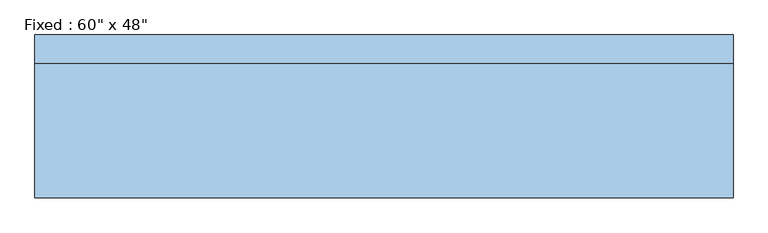
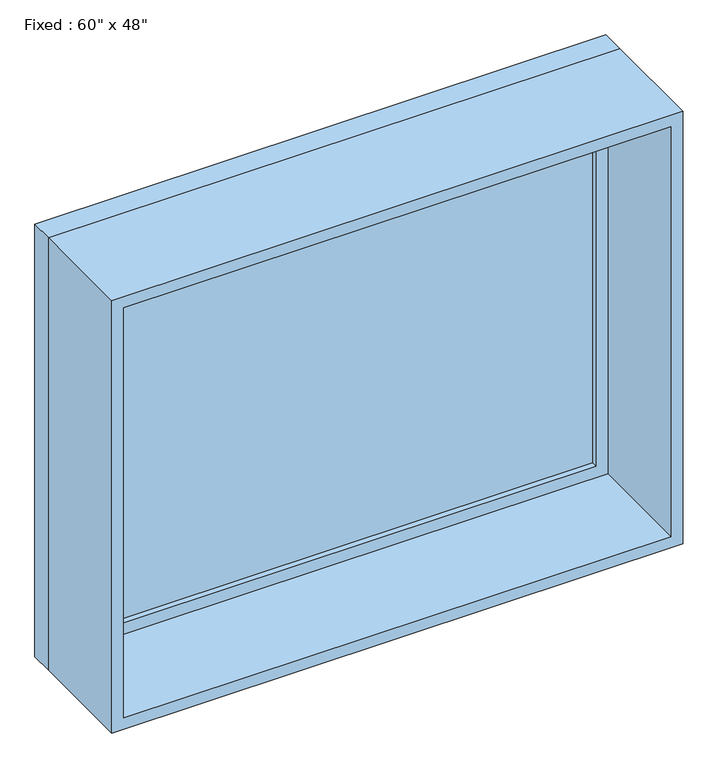
"""IFC4 building model written with IfcOpenShell, lengths in millimetres: window geometry."""

from ifc_helpers import new_model, si_unit, frame, origin, place, context, project, spatial, polyline, outline, extrude, source, transform, mapped, element, save


def window_9c7a078d(model_context):
    return source(origin(), model_context, "Body", "SweptSolid", [
        extrude(outline(polyline([(660.4, 130.175), (-736.6, 130.175), (-736.6, 142.875), (660.4, 142.875), (660.4, 130.175)])), frame((0.0, 0.0, 977.9), z_axis=(0.0, 0.0, 1.0), x_axis=(1.0, 0.0, 0.0)), (0.0, 0.0, 1.0), 1092.2),
        extrude(outline(polyline([(2114.55, -781.05), (933.45, -781.05), (933.45, 704.85), (2114.55, 704.85), (2114.55, -781.05)]), holes=[polyline([(2070.1, -736.6), (2070.1, 660.4), (977.9, 660.4), (977.9, -736.6), (2070.1, -736.6)])]), frame((0.0, 114.3, 0.0), z_axis=(0.0, 1.0, 0.0), x_axis=(0.0, 0.0, 1.0)), (0.0, 0.0, 1.0), 44.45),
        extrude(outline(polyline([(2133.6, -800.1), (914.4, -800.1), (914.4, 723.9), (2133.6, 723.9), (2133.6, -800.1)]), holes=[polyline([(2101.85, -768.35), (2101.85, 692.15), (946.15, 692.15), (946.15, -768.35), (2101.85, -768.35)])]), frame((0.0, -177.8, 0.0), z_axis=(0.0, 1.0, 0.0), x_axis=(0.0, 0.0, 1.0)), (0.0, 0.0, 1.0), 292.1),
        extrude(outline(polyline([(2133.6, 723.9), (2133.6, -800.1), (914.4, -800.1), (914.4, 723.9), (2133.6, 723.9)]), holes=[polyline([(2114.55, 704.85), (933.45, 704.85), (933.45, -781.05), (2114.55, -781.05), (2114.55, 704.85)])]), frame((0.0, 114.3, 0.0), z_axis=(0.0, 1.0, 0.0), x_axis=(0.0, 0.0, 1.0)), (0.0, 0.0, 1.0), 63.5),
    ])


if __name__ == "__main__":
    model = new_model("IFC4")
    model_context = context("Model", 3, world=origin())
    ifc_project = project(units=[si_unit("LENGTHUNIT", "METRE", prefix="MILLI")], contexts=[model_context])
    site = spatial("IfcSite", under=ifc_project)
    building = spatial("IfcBuilding", under=site)
    placement = place(None, origin())
    window_shape = window_9c7a078d(model_context)
    element("IfcWindow", 1, ObjectType="Fixed : 60\" x 48\"", at=placement, inside=building, context=model_context, shape_type="MappedRepresentation", body=[
        mapped(window_shape, transform((0.0, 0.0, 0.0), x_axis=(1.0, 0.0, 0.0), y_axis=(0.0, 1.0, 0.0), z_axis=(0.0, 0.0, 1.0))),
    ])
    save(model, "model.ifc")
